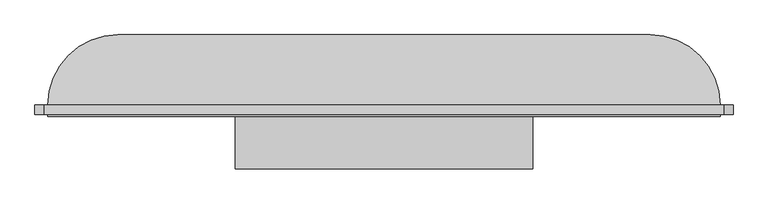
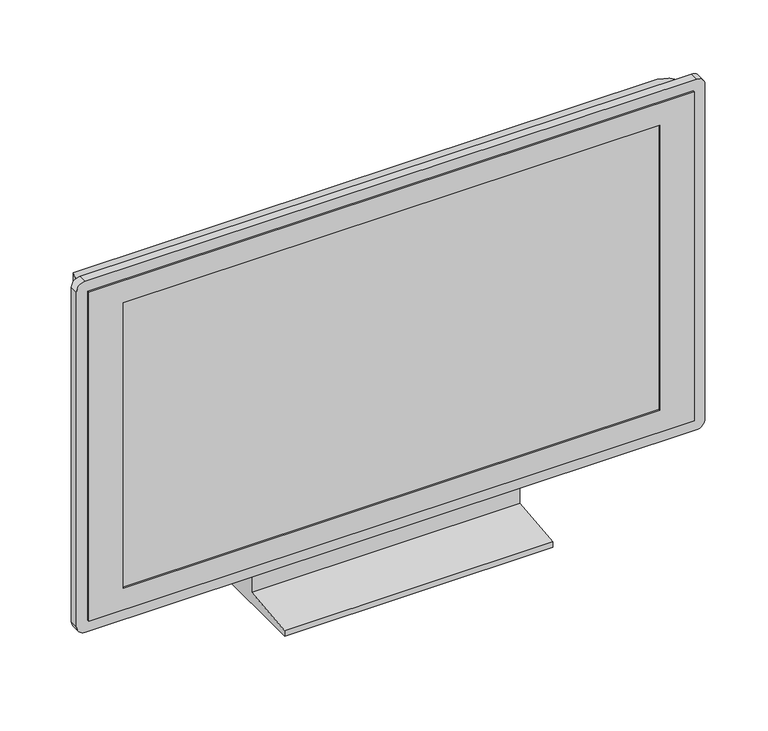
"""IFC4 building model written with IfcOpenShell, lengths in millimetres: furniture geometry."""

from ifc_helpers import new_model, si_unit, point, frame, frame_2d, origin, place, context, project, spatial, polyline, circle_curve, ellipse_curve, trimmed, segment, composite_curve, outline, extrude, faceted_brep, source, transform, mapped, element, save
from ifc_brep_helpers import plane_surface, cylinder_surface, advanced_brep


def furniture_7a3aaa4f(model_context):
    return source(origin(), model_context, "Body", "SolidModel", [
        extrude(outline(polyline([(-51.4613764, 80.0), (-1.4613764, 80.0), (48.5386236, 0.0), (-151.4613764, 0.0), (-151.4613764, 10.0), (-51.4613764, 20.0), (-51.4613764, 80.0)])), frame((-237.0858282, 0.0, 0.0), z_axis=(1.0, 0.0, 0.0), x_axis=(0.0, 1.0, 0.0)), (0.0, 0.0, 1.0), 466.2826281),
        faceted_brep([(522.338114, -69.4613764, 684.6160909), (-530.2271423, -69.4613764, 684.6160909), (-530.2271423, -69.4613764, 80.0), (522.338114, -69.4613764, 80.0), (-470.2271423, -69.4613764, 644.6160909), (462.338114, -69.4613764, 644.6160909), (462.338114, -69.4613764, 120.0), (-470.2271423, -69.4613764, 120.0), (522.338114, -51.4613764, 684.6160909), (522.338114, -51.4613764, 80.0), (-530.2271423, -51.4613764, 80.0), (-530.2271423, -51.4613764, 684.6160909), (-470.2271423, -66.4613764, 644.6160909), (-470.2271423, -66.4613764, 120.0), (462.338114, -66.4613764, 120.0), (462.338114, -66.4613764, 644.6160909)], [[[0, 1, 2, 3], [4, 5, 6, 7]], [[8, 9, 10, 11]], [[1, 0, 8, 11]], [[2, 1, 11, 10]], [[3, 2, 10, 9]], [[0, 3, 9, 8]], [[12, 13, 14, 15]], [[12, 15, 5, 4]], [[15, 14, 6, 5]], [[14, 13, 7, 6]], [[13, 12, 4, 7]]]),
        extrude(outline(composite_curve([segment(polyline([(704.6160909, 527.338114), (704.6160909, -535.2271423)]), True, "CONTINUOUS"), segment(trimmed(circle_curve(frame_2d((689.6160909, -535.2271423)), 15.0), [point((704.6160909, -535.2271423))], [point((689.6160909, -550.2271423))], False, "CARTESIAN"), True, "CONTINUOUS"), segment(polyline([(689.6160909, -550.2271423), (75.0, -550.2271423)]), True, "CONTINUOUS"), segment(trimmed(circle_curve(frame_2d((75.0, -535.2271423)), 15.0), [point((75.0, -550.2271423))], [point((60.0, -535.2271423))], False, "CARTESIAN"), True, "CONTINUOUS"), segment(polyline([(60.0, -535.2271423), (60.0, 527.338114)]), True, "CONTINUOUS"), segment(trimmed(circle_curve(frame_2d((75.0, 527.338114)), 15.0), [point((60.0, 527.338114))], [point((75.0, 542.338114))], False, "CARTESIAN"), True, "CONTINUOUS"), segment(polyline([(75.0, 542.338114), (689.6160909, 542.338114)]), True, "CONTINUOUS"), segment(trimmed(circle_curve(frame_2d((689.6160909, 527.338114)), 15.0), [point((689.6160909, 542.338114))], [point((704.6160909, 527.338114))], False, "CARTESIAN"), True, "CONTINUOUS")], self_intersect=False), holes=[polyline([(684.6160909, 522.338114), (80.0, 522.338114), (80.0, -530.2271423), (684.6160909, -530.2271423), (684.6160909, 522.338114)])]), frame((0.0, -66.4613764, 0.0), z_axis=(0.0, 1.0, 0.0), x_axis=(0.0, 0.0, 1.0)), (0.0, 0.0, 1.0), 15.0),
        advanced_brep(
        [(-530.2271423, -51.4613764, 80.0), (522.338114, -51.4613764, 80.0), (522.338114, -51.4613764, 684.6160909), (-530.2271423, -51.4613764, 684.6160909), (412.338114, 58.5386236, 80.0), (-420.2271423, 58.5386236, 80.0), (-420.2271423, 58.5386236, 574.6160909), (412.338114, 58.5386236, 574.6160909)],
        [
            (0, 1),
            (1, 2),
            (2, 3),
            (3, 0),
            (4, 5),
            (5, 6),
            (6, 7),
            (7, 4),
            (0, 5, circle_curve(frame((-420.2271423, -51.4613764, 80.0), z_axis=(0.0, 0.0, -1.0), x_axis=(-1.0, 0.0, 0.0)), 110.0)),
            (4, 1, circle_curve(frame((412.338114, -51.4613764, 80.0), z_axis=(0.0, 0.0, -1.0), x_axis=(1.0, 0.0, 0.0)), 110.0)),
            (7, 2, ellipse_curve(frame((412.338114, -51.4613764, 574.6160909), z_axis=(0.7071067811865475, 0.0, -0.7071067811865475), x_axis=(0.7071067811865474, 0.0, 0.7071067811865476)), 155.5634919, 110.0)),
            (6, 3, ellipse_curve(frame((-420.2271423, -51.4613764, 574.6160909), z_axis=(0.7071067811865475, 0.0, 0.7071067811865475), x_axis=(-0.7071067811865476, 0.0, 0.7071067811865474)), 155.5634919, 110.0)),
        ],
        [
            plane_surface(frame((-530.2271423, -51.4613764, 684.6160909), z_axis=(0.0, -1.0, 0.0), x_axis=(-1.0, 0.0, 0.0))),
            plane_surface(frame((-530.2271423, 58.5386236, 684.6160909), z_axis=(0.0, 1.0, 0.0), x_axis=(1.0, 0.0, 0.0))),
            plane_surface(frame((-530.2271423, -51.4613764, 80.0), z_axis=(0.0, 0.0, -1.0), x_axis=(0.0, 1.0, 0.0))),
            cylinder_surface(frame((412.338114, -51.4613764, 80.0), z_axis=(0.0, 0.0, 1.0), x_axis=(1.0, 0.0, 0.0)), 110.0),
            cylinder_surface(frame((522.338114, -51.4613764, 574.6160909), z_axis=(-1.0, 0.0, 0.0), x_axis=(0.0, 0.0, 1.0)), 110.0),
            cylinder_surface(frame((-420.2271423, -51.4613764, 684.6160909), z_axis=(0.0, 0.0, -1.0), x_axis=(-1.0, 0.0, 0.0)), 110.0),
        ],
        [
            (0, [[1, 2, 3, 4]]),
            (1, [[5, 6, 7, 8]]),
            (2, [[-1, 9, -5, 10]]),
            (3, [[11, -2, -10, -8]]),
            (4, [[-11, -7, 12, -3]]),
            (5, [[-12, -6, -9, -4]]),
        ],
    ),
    ])


if __name__ == "__main__":
    model = new_model("IFC4")
    model_context = context("Model", 3, world=origin())
    ifc_project = project(units=[si_unit("LENGTHUNIT", "METRE", prefix="MILLI")], contexts=[model_context])
    site = spatial("IfcSite", under=ifc_project)
    building = spatial("IfcBuilding", under=site)
    placement = place(None, origin())
    furniture_shape = furniture_7a3aaa4f(model_context)
    element("IfcFurniture", 1, at=placement, inside=building, context=model_context, shape_type="MappedRepresentation", body=[
        mapped(furniture_shape, transform((0.0, 0.0, 0.0), x_axis=(1.0, 0.0, 0.0), y_axis=(0.0, 1.0, 0.0), z_axis=(0.0, 0.0, 1.0))),
    ])
    save(model, "model.ifc")
